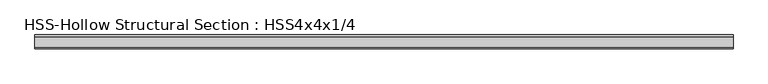
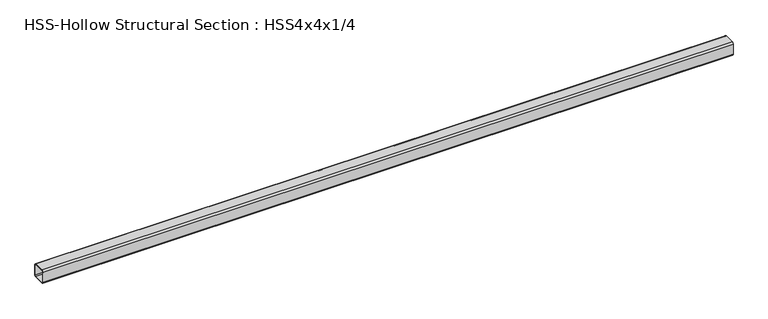
"""IFC4 building model written with IfcOpenShell, lengths in millimetres: member geometry, HSS-Hollow Structural Section : HSS4x4x1/4."""

from ifc_helpers import new_model, si_unit, point, frame, frame_2d, origin, place, context, project, spatial, polyline, circle_curve, trimmed, segment, composite_curve, outline, extrude, source, transform, mapped, element, save


def hss_hollow_structural_section_hss4x4x1_4_26a06e0e(model_context):
    return source(origin(), model_context, "Body", "SweptSolid", [
        extrude(outline(composite_curve([segment(polyline([(50.8, 38.9636), (50.8, -38.9636)]), True, "CONTINUOUS"), segment(trimmed(circle_curve(frame_2d((38.9636, -38.9636)), 11.8364), [point((50.8, -38.9636))], [point((38.9636, -50.8))], False, "CARTESIAN"), True, "CONTINUOUS"), segment(polyline([(38.9636, -50.8), (-38.9636, -50.8)]), True, "CONTINUOUS"), segment(trimmed(circle_curve(frame_2d((-38.9636, -38.9636)), 11.8364), [point((-38.9636, -50.8))], [point((-50.8, -38.9636))], False, "CARTESIAN"), True, "CONTINUOUS"), segment(polyline([(-50.8, -38.9636), (-50.8, 38.9636)]), True, "CONTINUOUS"), segment(trimmed(circle_curve(frame_2d((-38.9636, 38.9636)), 11.8364), [point((-50.8, 38.9636))], [point((-38.9636, 50.8))], False, "CARTESIAN"), True, "CONTINUOUS"), segment(polyline([(-38.9636, 50.8), (38.9636, 50.8)]), True, "CONTINUOUS"), segment(trimmed(circle_curve(frame_2d((38.9636, 38.9636)), 11.8364), [point((38.9636, 50.8))], [point((50.8, 38.9636))], False, "CARTESIAN"), True, "CONTINUOUS")], self_intersect=False), holes=[composite_curve([segment(trimmed(circle_curve(frame_2d((-38.9636, 38.9636)), 5.9182), [point((-38.9636, 44.8818))], [point((-44.8818, 38.9636))], True, "CARTESIAN"), True, "CONTINUOUS"), segment(polyline([(-44.8818, 38.9636), (-44.8818, -38.9636)]), True, "CONTINUOUS"), segment(trimmed(circle_curve(frame_2d((-38.9636, -38.9636)), 5.9182), [point((-44.8818, -38.9636))], [point((-38.9636, -44.8818))], True, "CARTESIAN"), True, "CONTINUOUS"), segment(polyline([(-38.9636, -44.8818), (38.9636, -44.8818)]), True, "CONTINUOUS"), segment(trimmed(circle_curve(frame_2d((38.9636, -38.9636)), 5.9182), [point((38.9636, -44.8818))], [point((44.8818, -38.9636))], True, "CARTESIAN"), True, "CONTINUOUS"), segment(polyline([(44.8818, -38.9636), (44.8818, 38.9636)]), True, "CONTINUOUS"), segment(trimmed(circle_curve(frame_2d((38.9636, 38.9636)), 5.9182), [point((44.8818, 38.9636))], [point((38.9636, 44.8818))], True, "CARTESIAN"), True, "CONTINUOUS"), segment(polyline([(38.9636, 44.8818), (-38.9636, 44.8818)]), True, "CONTINUOUS")], self_intersect=False)]), frame((-2662.1817271, 0.0, 0.0), z_axis=(1.0, 0.0, 0.0), x_axis=(0.0, 1.0, 0.0)), (0.0, 0.0, 1.0), 5129.4130848),
    ])


if __name__ == "__main__":
    model = new_model("IFC4")
    model_context = context("Model", 3, world=origin())
    ifc_project = project(units=[si_unit("LENGTHUNIT", "METRE", prefix="MILLI")], contexts=[model_context])
    site = spatial("IfcSite", under=ifc_project)
    building = spatial("IfcBuilding", under=site)
    placement = place(None, origin())
    hss_hollow_structural_section_hss4x4x1_4_shape = hss_hollow_structural_section_hss4x4x1_4_26a06e0e(model_context)
    element("IfcMember", 1, ObjectType="HSS-Hollow Structural Section : HSS4x4x1/4", at=placement, inside=building, context=model_context, shape_type="MappedRepresentation", body=[
        mapped(hss_hollow_structural_section_hss4x4x1_4_shape, transform((0.0, 0.0, 0.0), x_axis=(1.0, 0.0, 0.0), y_axis=(0.0, 1.0, 0.0), z_axis=(0.0, 0.0, 1.0))),
    ])
    save(model, "model.ifc")
